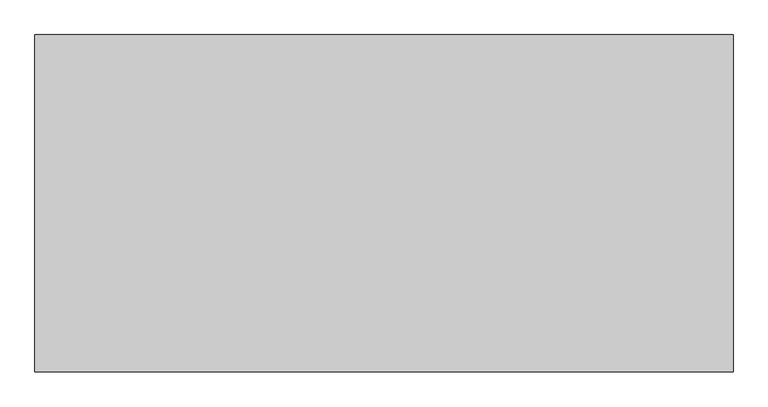
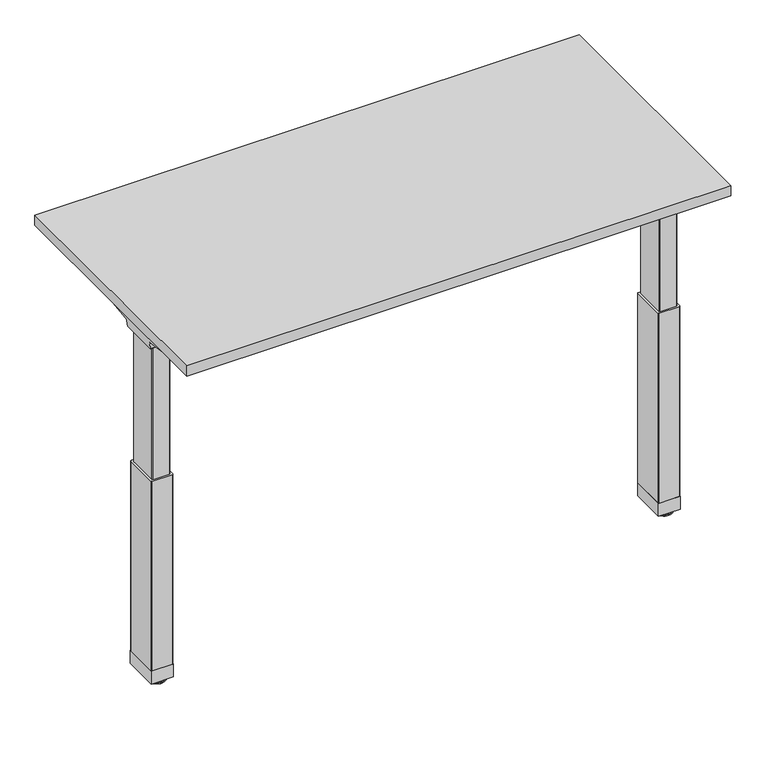
"""IFC4 building model written with IfcOpenShell, lengths in millimetres: furniture geometry."""

from ifc_helpers import new_model, si_unit, point, frame, frame_2d, origin, place, context, project, spatial, polyline, circle_curve, ellipse_curve, trimmed, segment, composite_curve, outline, extrude, source, transform, mapped, element, save
from ifc_brep_helpers import plane_surface, cylinder_surface, revolved_surface, advanced_brep


def furniture_98e8cc4e(model_context):
    return source(origin(), model_context, "Body", "SolidModel", [
        extrude(outline(polyline([(-747.776, 434.1876), (-747.776, 1157.3256), (747.776, 1157.3256), (747.776, 434.1876), (-747.776, 434.1876)])), frame((0.0, 0.0, 1037.209), z_axis=(0.0, 0.0, 1.0), x_axis=(1.0, 0.0, 0.0)), (0.0, 0.0, 1.0), 29.591),
        advanced_brep(
        [(731.4406297, 635.7959426, 988.7915733), (672.2713552, 635.7959426, 988.7915733), (672.2713552, 638.024396, 986.1442785), (728.9518591, 638.024396, 986.1442785), (731.6625278, 635.7869568, 989.0276054), (734.0619089, 635.1429301, 1005.9443054), (672.2713552, 635.1429301, 1005.9443054), (734.9185362, 629.6758947, 1011.9839076), (672.2713552, 629.6758947, 1011.9839076), (737.4393767, 515.1046903, 1029.7569507), (672.2713552, 515.1046903, 1029.7569507), (737.5128152, 511.3286853, 1030.2747243), (672.2713552, 511.3286853, 1030.2747243), (738.1871296, 509.8184289, 1035.0289399), (736.4021288, 512.395324, 1037.209), (672.2713552, 512.395324, 1037.209), (737.5128152, 867.2817403, 1030.2747243), (672.2713552, 867.2817403, 1030.2747243), (672.2713552, 866.2151016, 1037.209), (736.4021288, 866.2151016, 1037.209), (738.1871296, 868.7919968, 1035.0289399), (737.4393767, 863.5057353, 1029.7569507), (672.2713552, 863.5057353, 1029.7569507), (734.9185362, 748.9345309, 1011.9839076), (672.2713552, 748.9345309, 1011.9839076), (734.0619089, 743.4674955, 1005.9443054), (672.2713552, 743.4674955, 1005.9443054), (731.6625278, 742.8234688, 989.0276054), (731.4406297, 742.814483, 988.7915733), (672.2713552, 742.814483, 988.7915733), (728.9518591, 740.5860297, 986.1442785), (672.2713552, 740.5860297, 986.1442785)],
        [
            (0, 1),
            (1, 2),
            (2, 3),
            (3, 0),
            (0, 4),
            (4, 5),
            (5, 6),
            (6, 1),
            (5, 7, ellipse_curve(frame((734.0119691, 628.6843719, 1005.5922075), z_axis=(0.9900906714849619, 0.0, -0.14042956326378436), x_axis=(0.14042956326378456, 0.0, 0.9900906714849619)), 6.5328852, 6.4681487)),
            (7, 8),
            (8, 6, circle_curve(frame((672.2713552, 628.6843719, 1005.5922075), z_axis=(-1.0, 0.0, 0.0), x_axis=(0.0, -1.0000000000000004, 0.0)), 6.4681487)),
            (7, 9),
            (9, 10),
            (10, 8),
            (9, 11),
            (11, 12),
            (12, 10),
            (11, 13, ellipse_curve(frame((737.9730772, 513.3058017, 1033.5197755), z_axis=(-0.9900906714849619, 0.0, 0.14042956326378436), x_axis=(-0.14042956326378456, 0.0, -0.9900906714849619)), 3.8379455, 3.7999141)),
            (13, 14, ellipse_curve(frame((739.422811, 513.3058017, 1033.5197755), z_axis=(-0.7737284588432122, 0.0, -0.6335173809581768), x_axis=(-0.6335173809581769, 0.0, 0.7737284588432121)), 4.9111727, 3.7999141)),
            (14, 15),
            (15, 12, circle_curve(frame((672.2713552, 513.3058017, 1033.5197755), z_axis=(1.0, 0.0, 0.0), x_axis=(0.0, -1.0000000000000004, 0.0)), 3.7999141)),
            (16, 17),
            (17, 18, circle_curve(frame((672.2713552, 865.3046239, 1033.5197755), z_axis=(1.0, 0.0, 0.0), x_axis=(0.0, -1.0000000000000004, 0.0)), 3.7999141)),
            (18, 19),
            (19, 20, ellipse_curve(frame((739.422811, 865.3046239, 1033.5197755), z_axis=(-0.7737284588432122, 0.0, -0.6335173809581768), x_axis=(-0.6335173809581769, 0.0, 0.7737284588432121)), 4.9111727, 3.7999141)),
            (20, 16, ellipse_curve(frame((737.9730772, 865.3046239, 1033.5197755), z_axis=(-0.9900906714849619, 0.0, 0.14042956326378436), x_axis=(-0.14042956326378456, 0.0, -0.9900906714849619)), 3.8379455, 3.7999141)),
            (16, 21),
            (21, 22),
            (22, 17),
            (21, 23),
            (23, 24),
            (24, 22),
            (23, 25, ellipse_curve(frame((734.0119691, 749.9260537, 1005.5922075), z_axis=(0.9900906714849619, 0.0, -0.14042956326378436), x_axis=(0.14042956326378456, 0.0, 0.9900906714849619)), 6.5328852, 6.4681487)),
            (25, 26),
            (26, 24, circle_curve(frame((672.2713552, 749.9260537, 1005.5922075), z_axis=(-1.0, 0.0, 0.0), x_axis=(0.0, -1.0000000000000004, 0.0)), 6.4681487)),
            (25, 27),
            (27, 28),
            (28, 29),
            (29, 26),
            (28, 30),
            (30, 31),
            (31, 29),
            (4, 27),
            (20, 13),
            (19, 14),
            (18, 15),
            (2, 31),
            (30, 3),
        ],
        [
            plane_surface(frame((754.4773962, 638.024396, 986.1442785), z_axis=(0.0, -0.7650318638532659, -0.6439924279750484), x_axis=(-1.0, 0.0, 0.0))),
            plane_surface(frame((754.4773962, 635.7959426, 988.7915733), z_axis=(0.0, -0.999276106683639, -0.038042904873162565), x_axis=(-1.0, 0.0, 0.0))),
            revolved_surface(polyline([(734.9293793154884, 622.2162232, 1005.5922075), (672.2713551999999, 622.2162232, 1005.5922075)]), (754.4773962, 628.6843719, 1005.5922075), (1.0000000000000004, 0.0, 0.0)),
            plane_surface(frame((754.4773962, 629.6758947, 1011.9839076), z_axis=(0.0, -0.15329313587139595, -0.9881807600306302), x_axis=(-1.0, 0.0, 0.0))),
            plane_surface(frame((754.4773962, 515.1046903, 1029.7569507), z_axis=(0.0, -0.13585085469026897, -0.9907292996979162), x_axis=(-1.0, 0.0, 0.0))),
            cylinder_surface(frame((754.4773962, 513.3058017, 1033.5197755), z_axis=(-1.0000000000000004, 0.0, 0.0), x_axis=(0.0, -1.0000000000000004, 0.0)), 3.7999141),
            cylinder_surface(frame((754.4773962, 865.3046239, 1033.5197755), z_axis=(-1.0000000000000004, 0.0, 0.0), x_axis=(0.0, -1.0000000000000004, 0.0)), 3.7999141),
            plane_surface(frame((754.4773962, 867.2817403, 1030.2747243), z_axis=(0.0, 0.135850854687912, -0.9907292996982394), x_axis=(-1.0, 0.0, 0.0))),
            plane_surface(frame((754.4773962, 863.5057353, 1029.7569507), z_axis=(0.0, 0.15329313587140656, -0.9881807600306285), x_axis=(-1.0, 0.0, 0.0))),
            revolved_surface(polyline([(734.9293793154884, 743.457905, 1005.5922075), (672.2713551999999, 743.457905, 1005.5922075)]), (754.4773962, 749.9260537, 1005.5922075), (1.0000000000000004, 0.0, 0.0)),
            plane_surface(frame((754.4773962, 743.4674955, 1005.9443054), z_axis=(0.0, 0.9992761066836363, -0.0380429048732354), x_axis=(-1.0, 0.0, 0.0))),
            plane_surface(frame((754.4773962, 742.814483, 988.7915733), z_axis=(0.0, 0.7650318638534731, -0.6439924279748023), x_axis=(-1.0, 0.0, 0.0))),
            plane_surface(frame((731.6625278, 498.8052128, 989.0276054), z_axis=(0.9900906714849619, 0.0, -0.14042956326378436), x_axis=(0.0, 1.0, 0.0))),
            plane_surface(frame((738.1871296, 498.8052128, 1035.0289399), z_axis=(0.7737284588432122, 0.0, 0.6335173809581768), x_axis=(0.0, 1.0, 0.0))),
            plane_surface(frame((736.4021288, 498.8052128, 1037.209), z_axis=(0.0, 0.0, 1.0), x_axis=(0.0, 1.0, 0.0))),
            plane_surface(frame((672.2713552, 498.8052128, 986.1442785), z_axis=(0.0, 0.0, -1.0), x_axis=(0.0, 1.0, 0.0))),
            plane_surface(frame((728.9518591, 498.8052128, 986.1442785), z_axis=(0.7285846064197381, 0.0, -0.6849558170336212), x_axis=(0.0, 1.0, 0.0))),
            plane_surface(frame((672.2713552, 498.8052128, 1037.209), z_axis=(-1.0, 0.0, 0.0), x_axis=(0.0, 1.0, 0.0))),
        ],
        [
            (0, [[1, 2, 3, 4]]),
            (1, [[-1, 5, 6, 7, 8]]),
            (2, [[-7, 9, 10, 11]]),
            (3, [[-10, 12, 13, 14]]),
            (4, [[-13, 15, 16, 17]]),
            (5, [[-16, 18, 19, 20, 21]]),
            (6, [[22, 23, 24, 25, 26]]),
            (7, [[-22, 27, 28, 29]]),
            (8, [[-28, 30, 31, 32]]),
            (9, [[-31, 33, 34, 35]]),
            (10, [[-34, 36, 37, 38, 39]]),
            (11, [[-38, 40, 41, 42]]),
            (12, [[43, -36, -33, -30, -27, -26, 44, -18, -15, -12, -9, -6]]),
            (13, [[-44, -25, 45, -19]]),
            (14, [[-45, -24, 46, -20]]),
            (15, [[47, -41, 48, -3]]),
            (16, [[-43, -5, -4, -48, -40, -37]]),
            (17, [[-47, -2, -8, -11, -14, -17, -21, -46, -23, -29, -32, -35, -39, -42]]),
        ],
    ),
        advanced_brep(
        [(-672.2624028, 635.7959426, 988.7915733), (-731.4406297, 635.7959426, 988.7915733), (-728.9518591, 638.024396, 986.1442785), (-672.2624028, 638.024396, 986.1442785), (-672.2624028, 635.1429301, 1005.9443054), (-734.0619089, 635.1429301, 1005.9443054), (-731.6625278, 635.7869568, 989.0276054), (-672.2624028, 629.6758947, 1011.9839076), (-734.9185362, 629.6758947, 1011.9839076), (-672.2624028, 515.1046903, 1029.7569507), (-737.4393767, 515.1046903, 1029.7569507), (-672.2624028, 511.3286853, 1030.2747243), (-737.5128152, 511.3286853, 1030.2747243), (-672.2624028, 512.395324, 1037.209), (-736.4021288, 512.395324, 1037.209), (-738.1871296, 509.8184289, 1035.0289399), (-672.2624028, 867.2817403, 1030.2747243), (-737.5128152, 867.2817403, 1030.2747243), (-738.1871296, 868.7919968, 1035.0289399), (-736.4021288, 866.2151016, 1037.209), (-672.2624028, 866.2151016, 1037.209), (-672.2624028, 863.5057353, 1029.7569507), (-737.4393767, 863.5057353, 1029.7569507), (-672.2624028, 748.9345309, 1011.9839076), (-734.9185362, 748.9345309, 1011.9839076), (-672.2624028, 743.4674955, 1005.9443054), (-734.0619089, 743.4674955, 1005.9443054), (-672.2624028, 742.814483, 988.7915733), (-731.4406297, 742.814483, 988.7915733), (-731.6625278, 742.8234688, 989.0276054), (-672.2624028, 740.5860297, 986.1442785), (-728.9518591, 740.5860297, 986.1442785)],
        [
            (0, 1),
            (1, 2),
            (2, 3),
            (3, 0),
            (0, 4),
            (4, 5),
            (5, 6),
            (6, 1),
            (4, 7, circle_curve(frame((-672.2624028, 628.6843719, 1005.5922075), z_axis=(1.0, 0.0, 0.0), x_axis=(0.0, -1.0000000000000004, 0.0)), 6.4681487)),
            (7, 8),
            (8, 5, ellipse_curve(frame((-734.0119691, 628.6843719, 1005.5922075), z_axis=(-0.9900906714849659, 0.0, -0.14042956326375675), x_axis=(0.14042956326375614, 0.0, -0.990090671484966)), 6.5328852, 6.4681487)),
            (7, 9),
            (9, 10),
            (10, 8),
            (9, 11),
            (11, 12),
            (12, 10),
            (11, 13, circle_curve(frame((-672.2624028, 513.3058017, 1033.5197755), z_axis=(-1.0, 0.0, 0.0), x_axis=(0.0, -1.0000000000000004, 0.0)), 3.7999141)),
            (13, 14),
            (14, 15, ellipse_curve(frame((-739.422811, 513.3058017, 1033.5197755), z_axis=(0.7737284588399557, 0.0, -0.6335173809621544), x_axis=(-0.6335173809621537, 0.0, -0.7737284588399559)), 4.9111727, 3.7999141)),
            (15, 12, ellipse_curve(frame((-737.9730772, 513.3058017, 1033.5197755), z_axis=(0.9900906714849659, 0.0, 0.14042956326375675), x_axis=(-0.14042956326375614, 0.0, 0.990090671484966)), 3.8379455, 3.7999141)),
            (16, 17),
            (17, 18, ellipse_curve(frame((-737.9730772, 865.3046239, 1033.5197755), z_axis=(0.9900906714849659, 0.0, 0.14042956326375675), x_axis=(-0.14042956326375614, 0.0, 0.990090671484966)), 3.8379455, 3.7999141)),
            (18, 19, ellipse_curve(frame((-739.422811, 865.3046239, 1033.5197755), z_axis=(0.7737284588399557, 0.0, -0.6335173809621544), x_axis=(-0.6335173809621537, 0.0, -0.7737284588399559)), 4.9111727, 3.7999141)),
            (19, 20),
            (20, 16, circle_curve(frame((-672.2624028, 865.3046239, 1033.5197755), z_axis=(-1.0, 0.0, 0.0), x_axis=(0.0, -1.0000000000000004, 0.0)), 3.7999141)),
            (16, 21),
            (21, 22),
            (22, 17),
            (21, 23),
            (23, 24),
            (24, 22),
            (23, 25, circle_curve(frame((-672.2624028, 749.9260537, 1005.5922075), z_axis=(1.0, 0.0, 0.0), x_axis=(0.0, -1.0000000000000004, 0.0)), 6.4681487)),
            (25, 26),
            (26, 24, ellipse_curve(frame((-734.0119691, 749.9260537, 1005.5922075), z_axis=(-0.9900906714849659, 0.0, -0.14042956326375675), x_axis=(0.14042956326375614, 0.0, -0.990090671484966)), 6.5328852, 6.4681487)),
            (25, 27),
            (27, 28),
            (28, 29),
            (29, 26),
            (27, 30),
            (30, 31),
            (31, 28),
            (29, 6),
            (15, 18),
            (14, 19),
            (13, 20),
            (30, 3),
            (2, 31),
        ],
        [
            plane_surface(frame((-551.4619573, 638.024396, 986.1442785), z_axis=(0.0, -0.7650318638532563, -0.6439924279750598), x_axis=(-1.0, 0.0, 0.0))),
            plane_surface(frame((-551.4619573, 635.7959426, 988.7915733), z_axis=(0.0, -0.9992761066836392, -0.03804290487315863), x_axis=(-1.0, 0.0, 0.0))),
            revolved_surface(polyline([(-672.2624028000001, 622.2162232, 1005.5922075), (-734.9293793154884, 622.2162232, 1005.5922075)]), (-551.4619573, 628.6843719, 1005.5922075), (1.0000000000000004, 0.0, 0.0)),
            plane_surface(frame((-551.4619573, 629.6758947, 1011.9839076), z_axis=(0.0, -0.15329313587140303, -0.988180760030629), x_axis=(-1.0, 0.0, 0.0))),
            plane_surface(frame((-551.4619573, 515.1046903, 1029.7569507), z_axis=(0.0, -0.13585085469008154, -0.9907292996979419), x_axis=(-1.0, 0.0, 0.0))),
            cylinder_surface(frame((-551.4619573, 513.3058017, 1033.5197755), z_axis=(-1.0000000000000004, 0.0, 0.0), x_axis=(0.0, -1.0000000000000004, 0.0)), 3.7999141),
            cylinder_surface(frame((-551.4619573, 865.3046239, 1033.5197755), z_axis=(-1.0000000000000004, 0.0, 0.0), x_axis=(0.0, -1.0000000000000004, 0.0)), 3.7999141),
            plane_surface(frame((-551.4619573, 867.2817403, 1030.2747243), z_axis=(0.0, 0.13585085468777755, -0.9907292996982578), x_axis=(-1.0, 0.0, 0.0))),
            plane_surface(frame((-551.4619573, 863.5057353, 1029.7569507), z_axis=(0.0, 0.15329313587141108, -0.9881807600306277), x_axis=(-1.0, 0.0, 0.0))),
            revolved_surface(polyline([(-672.2624028000001, 743.457905, 1005.5922075), (-734.9293793154884, 743.457905, 1005.5922075)]), (-551.4619573, 749.9260537, 1005.5922075), (1.0000000000000004, 0.0, 0.0)),
            plane_surface(frame((-551.4619573, 743.4674955, 1005.9443054), z_axis=(0.0, 0.9992761066836363, -0.0380429048732354), x_axis=(-1.0, 0.0, 0.0))),
            plane_surface(frame((-551.4619573, 742.814483, 988.7915733), z_axis=(0.0, 0.7650318638534731, -0.6439924279748023), x_axis=(-1.0, 0.0, 0.0))),
            plane_surface(frame((-731.6625278, 879.8052128, 989.0276054), z_axis=(-0.9900906714849659, 0.0, -0.14042956326375675), x_axis=(0.0, -1.0, 0.0))),
            plane_surface(frame((-738.1871296, 879.8052128, 1035.0289399), z_axis=(-0.7737284588399554, 0.0, 0.6335173809621543), x_axis=(0.0, -1.0, 0.0))),
            plane_surface(frame((-736.4021288, 879.8052128, 1037.209), z_axis=(0.0, 0.0, 1.0), x_axis=(0.0, -1.0, 0.0))),
            plane_surface(frame((-672.2624028, 879.8052128, 986.1442785), z_axis=(0.0, 0.0, -1.0), x_axis=(0.0, -1.0, 0.0))),
            plane_surface(frame((-728.9518591, 879.8052128, 986.1442785), z_axis=(-0.7285846064222695, 0.0, -0.6849558170309287), x_axis=(0.0, -1.0, 0.0))),
            plane_surface(frame((-672.2624028, 879.8052128, 1037.209), z_axis=(1.0, 0.0, 0.0), x_axis=(0.0, -1.0, 0.0))),
        ],
        [
            (0, [[1, 2, 3, 4]]),
            (1, [[-1, 5, 6, 7, 8]]),
            (2, [[-6, 9, 10, 11]]),
            (3, [[-10, 12, 13, 14]]),
            (4, [[-13, 15, 16, 17]]),
            (5, [[-16, 18, 19, 20, 21]]),
            (6, [[22, 23, 24, 25, 26]]),
            (7, [[-22, 27, 28, 29]]),
            (8, [[-28, 30, 31, 32]]),
            (9, [[-31, 33, 34, 35]]),
            (10, [[-34, 36, 37, 38, 39]]),
            (11, [[-37, 40, 41, 42]]),
            (12, [[43, -7, -11, -14, -17, -21, 44, -23, -29, -32, -35, -39]]),
            (13, [[-44, -20, 45, -24]]),
            (14, [[-45, -19, 46, -25]]),
            (15, [[47, -3, 48, -41]]),
            (16, [[-43, -38, -42, -48, -2, -8]]),
            (17, [[-47, -40, -36, -33, -30, -27, -26, -46, -18, -15, -12, -9, -5, -4]]),
        ],
    ),
        advanced_brep(
        [(-675.0283088, 644.5569631, 986.1442785), (-672.2624028, 646.9102017, 986.1442785), (-672.2624028, 731.683827, 986.1442785), (-675.3159671, 734.0332258, 986.1442785), (-718.6299922, 734.0534625, 986.1442785), (-721.6895972, 731.6837192, 986.1442785), (-721.6895972, 646.9101172, 986.1442785), (-718.9236912, 644.5569631, 986.1442785), (-675.0283088, 644.5569631, 599.0990058), (-718.9236912, 644.5569631, 599.0990058), (-721.6895972, 646.9101172, 599.0990058), (-721.6895972, 731.6837192, 599.0990058), (-718.6360098, 734.0332205, 599.0990058), (-675.3220078, 734.0534625, 599.0990058), (-672.2624028, 731.683827, 599.0990058), (-672.2624028, 646.9102017, 599.0990058)],
        [
            (0, 1, circle_curve(frame((-675.3300788, 647.7137409, 986.1442785), z_axis=(0.0, 0.0, 1.0), x_axis=(-1.0000000000000004, 0.0, 0.0)), 3.1711688)),
            (1, 2),
            (2, 3, circle_curve(frame((-675.3159671, 730.8741348, 986.1442785), z_axis=(0.0, 0.0, 1.0), x_axis=(-1.0000000000000004, 0.0, 0.0)), 3.1590911)),
            (3, 4),
            (4, 5, circle_curve(frame((-718.6360098, 730.8741348, 986.1442785), z_axis=(0.0, 0.0, 1.0), x_axis=(-1.0000000000000004, 0.0, 0.0)), 3.1590858)),
            (5, 6),
            (6, 7, circle_curve(frame((-718.6219439, 647.7137431, 986.1442785), z_axis=(0.0, 0.0, 1.0), x_axis=(-1.0000000000000004, 0.0, 0.0)), 3.1711687)),
            (7, 0),
            (8, 9),
            (9, 10, circle_curve(frame((-718.6219439, 647.7137431, 599.0990058), z_axis=(0.0, 0.0, -1.0), x_axis=(-1.0000000000000004, 0.0, 0.0)), 3.1711687)),
            (10, 11),
            (11, 12, circle_curve(frame((-718.6360098, 730.8741348, 599.0990058), z_axis=(0.0, 0.0, -1.0), x_axis=(-1.0000000000000004, 0.0, 0.0)), 3.1590858)),
            (12, 13),
            (13, 14, circle_curve(frame((-675.3159671, 730.8741348, 599.0990058), z_axis=(0.0, 0.0, -1.0), x_axis=(-1.0000000000000004, 0.0, 0.0)), 3.1590911)),
            (14, 15),
            (15, 8, circle_curve(frame((-675.3300788, 647.7137409, 599.0990058), z_axis=(0.0, 0.0, -1.0), x_axis=(-1.0000000000000004, 0.0, 0.0)), 3.1711688)),
            (7, 9),
            (8, 0),
            (6, 10),
            (5, 11),
            (4, 12),
            (3, 13),
            (2, 14),
            (1, 15),
        ],
        [
            plane_surface(frame((-678.5012476, 647.7137409, 986.1442785), z_axis=(0.0, 0.0, 1.0), x_axis=(0.0, -1.0, 0.0))),
            plane_surface(frame((-678.5012476, 647.7137409, 599.0990058), z_axis=(0.0, 0.0, -1.0), x_axis=(0.0, 1.0, 0.0))),
            plane_surface(frame((-718.9236912, 644.5569631, 986.1442785), z_axis=(0.0, -1.0, 0.0), x_axis=(0.0, 0.0, -1.0))),
            cylinder_surface(frame((-718.6219439, 647.7137431, 599.0990058), z_axis=(0.0, 0.0, 1.0), x_axis=(-1.0000000000000004, 0.0, 0.0)), 3.1711687),
            plane_surface(frame((-721.6895972, 731.6837192, 986.1442785), z_axis=(-1.0, 0.0, 0.0), x_axis=(0.0, 0.0, -1.0))),
            cylinder_surface(frame((-718.6360098, 730.8741348, 599.0990058), z_axis=(0.0, 0.0, 1.0), x_axis=(-1.0000000000000004, 0.0, 0.0)), 3.1590858),
            plane_surface(frame((-675.3220078, 734.0534625, 986.1442785), z_axis=(0.0, 1.0, 0.0), x_axis=(0.0, 0.0, -1.0))),
            cylinder_surface(frame((-675.3159671, 730.8741348, 599.0990058), z_axis=(0.0, 0.0, 1.0), x_axis=(-1.0000000000000004, 0.0, 0.0)), 3.1590911),
            plane_surface(frame((-672.2624028, 646.9102017, 986.1442785), z_axis=(1.0, 0.0, 0.0), x_axis=(0.0, 0.0, -1.0))),
            cylinder_surface(frame((-675.3300788, 647.7137409, 599.0990058), z_axis=(0.0, 0.0, 1.0), x_axis=(-1.0000000000000004, 0.0, 0.0)), 3.1711688),
        ],
        [
            (0, [[1, 2, 3, 4, 5, 6, 7, 8]]),
            (1, [[9, 10, 11, 12, 13, 14, 15, 16]]),
            (2, [[-8, 17, -9, 18]]),
            (3, [[-7, 19, -10, -17]]),
            (4, [[-6, 20, -11, -19]]),
            (5, [[-5, 21, -12, -20]]),
            (6, [[-4, 22, -13, -21]]),
            (7, [[-3, 23, -14, -22]]),
            (8, [[-2, 24, -15, -23]]),
            (9, [[-1, -18, -16, -24]]),
        ],
    ),
        advanced_brep(
        [(675.0283088, 644.5569631, 986.1442785), (718.9236912, 644.5569631, 986.1442785), (721.6806448, 646.8766887, 986.1442785), (721.6806448, 731.716762, 986.1442785), (718.6360098, 734.0332205, 986.1442785), (675.3220078, 734.0534625, 986.1442785), (672.2713552, 731.7168653, 986.1442785), (672.2713552, 646.8767695, 986.1442785), (675.0283088, 644.5569631, 599.0990058), (672.2713552, 646.8767695, 599.0990058), (672.2713552, 731.7168653, 599.0990058), (675.3159671, 734.0332258, 599.0990058), (718.6299922, 734.0534625, 599.0990058), (721.6806448, 731.716762, 599.0990058), (721.6806448, 646.8766887, 599.0990058), (718.9236912, 644.5569631, 599.0990058)],
        [
            (0, 1),
            (1, 2, circle_curve(frame((718.6219439, 647.7137431, 986.1442785), z_axis=(0.0, 0.0, 1.0), x_axis=(1.0000000000000004, 0.0, 0.0)), 3.1711687)),
            (2, 3),
            (3, 4, circle_curve(frame((718.6360098, 730.8741348, 986.1442785), z_axis=(0.0, 0.0, 1.0), x_axis=(1.0000000000000004, 0.0, 0.0)), 3.1590858)),
            (4, 5),
            (5, 6, circle_curve(frame((675.3159671, 730.8741348, 986.1442785), z_axis=(0.0, 0.0, 1.0), x_axis=(1.0000000000000004, 0.0, 0.0)), 3.1590911)),
            (6, 7),
            (7, 0, circle_curve(frame((675.3300788, 647.7137409, 986.1442785), z_axis=(0.0, 0.0, 1.0), x_axis=(1.0000000000000004, 0.0, 0.0)), 3.1711688)),
            (8, 9, circle_curve(frame((675.3300788, 647.7137409, 599.0990058), z_axis=(0.0, 0.0, -1.0), x_axis=(1.0000000000000004, 0.0, 0.0)), 3.1711688)),
            (9, 10),
            (10, 11, circle_curve(frame((675.3159671, 730.8741348, 599.0990058), z_axis=(0.0, 0.0, -1.0), x_axis=(1.0000000000000004, 0.0, 0.0)), 3.1590911)),
            (11, 12),
            (12, 13, circle_curve(frame((718.6360098, 730.8741348, 599.0990058), z_axis=(0.0, 0.0, -1.0), x_axis=(1.0000000000000004, 0.0, 0.0)), 3.1590858)),
            (13, 14),
            (14, 15, circle_curve(frame((718.6219439, 647.7137431, 599.0990058), z_axis=(0.0, 0.0, -1.0), x_axis=(1.0000000000000004, 0.0, 0.0)), 3.1711687)),
            (15, 8),
            (0, 8),
            (15, 1),
            (14, 2),
            (13, 3),
            (12, 4),
            (11, 5),
            (10, 6),
            (9, 7),
        ],
        [
            plane_surface(frame((718.9236912, 644.5569631, 986.1442785), z_axis=(0.0, 0.0, 1.0), x_axis=(1.0, 0.0, 0.0))),
            plane_surface(frame((718.9236912, 644.5569631, 599.0990058), z_axis=(0.0, 0.0, -1.0), x_axis=(-1.0, 0.0, 0.0))),
            plane_surface(frame((675.0283088, 644.5569631, 986.1442785), z_axis=(0.0, -1.0, 0.0), x_axis=(0.0, 0.0, -1.0))),
            cylinder_surface(frame((718.6219439, 647.7137431, 599.0990058), z_axis=(0.0, 0.0, 1.0), x_axis=(1.0000000000000004, 0.0, 0.0)), 3.1711687),
            plane_surface(frame((721.6806448, 646.8766887, 986.1442785), z_axis=(1.0, 0.0, 0.0), x_axis=(0.0, 0.0, -1.0))),
            cylinder_surface(frame((718.6360098, 730.8741348, 599.0990058), z_axis=(0.0, 0.0, 1.0), x_axis=(1.0000000000000004, 0.0, 0.0)), 3.1590858),
            plane_surface(frame((718.6299922, 734.0534625, 986.1442785), z_axis=(0.0, 1.0, 0.0), x_axis=(0.0, 0.0, -1.0))),
            cylinder_surface(frame((675.3159671, 730.8741348, 599.0990058), z_axis=(0.0, 0.0, 1.0), x_axis=(1.0000000000000004, 0.0, 0.0)), 3.1590911),
            plane_surface(frame((672.2713552, 731.7168653, 986.1442785), z_axis=(-1.0, -1.2492932929225731e-12, 0.0), x_axis=(0.0, 0.0, -1.0))),
            cylinder_surface(frame((675.3300788, 647.7137409, 599.0990058), z_axis=(0.0, 0.0, 1.0), x_axis=(1.0000000000000004, 0.0, 0.0)), 3.1711688),
        ],
        [
            (0, [[1, 2, 3, 4, 5, 6, 7, 8]]),
            (1, [[9, 10, 11, 12, 13, 14, 15, 16]]),
            (2, [[-1, 17, -16, 18]]),
            (3, [[-2, -18, -15, 19]]),
            (4, [[-3, -19, -14, 20]]),
            (5, [[-4, -20, -13, 21]]),
            (6, [[-5, -21, -12, 22]]),
            (7, [[-6, -22, -11, 23]]),
            (8, [[-7, -23, -10, 24]]),
            (9, [[-8, -24, -9, -17]]),
        ],
    ),
        extrude(outline(composite_curve([segment(trimmed(circle_curve(frame_2d((669.316092, 641.5793048)), 2.248592), [point((669.316092, 639.3307128))], [point((667.0675, 641.5793048))], False, "CARTESIAN"), True, "CONTINUOUS"), segment(polyline([(667.0675, 641.5793048), (667.0675, 737.0310659)]), True, "CONTINUOUS"), segment(trimmed(circle_curve(frame_2d((669.3161469, 737.0310659)), 2.2486469), [point((667.0675, 737.0310659))], [point((669.3161469, 739.2797128))], False, "CARTESIAN"), True, "CONTINUOUS"), segment(polyline([(669.3161469, 739.2797128), (724.635908, 739.2797128)]), True, "CONTINUOUS"), segment(trimmed(circle_curve(frame_2d((724.635908, 737.0311208)), 2.248592), [point((724.635908, 739.2797128))], [point((726.8845, 737.0311208))], False, "CARTESIAN"), True, "CONTINUOUS"), segment(polyline([(726.8845, 737.0311208), (726.8845, 641.5793048)]), True, "CONTINUOUS"), segment(trimmed(circle_curve(frame_2d((724.635908, 641.5793048)), 2.248592), [point((726.8845, 641.5793048))], [point((724.635908, 639.3307128))], False, "CARTESIAN"), True, "CONTINUOUS"), segment(polyline([(724.635908, 639.3307128), (669.316092, 639.3307128)]), True, "CONTINUOUS")], self_intersect=False)), frame((0.0, 0.0, 48.1000573), z_axis=(0.0, 0.0, 1.0), x_axis=(1.0, 0.0, 0.0)), (0.0, 0.0, 1.0), 550.9989485),
        extrude(outline(composite_curve([segment(trimmed(circle_curve(frame_2d((-724.5521079, 641.6631049)), 2.3323921), [point((-724.5521079, 639.3307128))], [point((-726.8845, 641.6631049))], False, "CARTESIAN"), True, "CONTINUOUS"), segment(polyline([(-726.8845, 641.6631049), (-726.8845, 736.9473207)]), True, "CONTINUOUS"), segment(trimmed(circle_curve(frame_2d((-724.5521079, 736.9473207)), 2.3323921), [point((-726.8845, 736.9473207))], [point((-724.5521079, 739.2797128))], False, "CARTESIAN"), True, "CONTINUOUS"), segment(polyline([(-724.5521079, 739.2797128), (-669.3998921, 739.2797128)]), True, "CONTINUOUS"), segment(trimmed(circle_curve(frame_2d((-669.3998921, 736.9473207)), 2.3323921), [point((-669.3998921, 739.2797128))], [point((-667.0675, 736.9473207))], False, "CARTESIAN"), True, "CONTINUOUS"), segment(polyline([(-667.0675, 736.9473207), (-667.0675, 641.6631049)]), True, "CONTINUOUS"), segment(trimmed(circle_curve(frame_2d((-669.3998921, 641.6631049)), 2.3323921), [point((-667.0675, 641.6631049))], [point((-669.3998921, 639.3307128))], False, "CARTESIAN"), True, "CONTINUOUS"), segment(polyline([(-669.3998921, 639.3307128), (-724.5521079, 639.3307128)]), True, "CONTINUOUS")], self_intersect=False)), frame((0.0, 0.0, 48.1000573), z_axis=(0.0, 0.0, 1.0), x_axis=(1.0, 0.0, 0.0)), (0.0, 0.0, 1.0), 550.9989485),
        advanced_brep(
        [(-696.976, 671.3030475, 10.2361894), (-696.976, 657.2832975, 10.2361894), (-696.976, 657.6704727, 8.7946116), (-696.976, 670.9158723, 8.7946116), (-696.976, 664.2931725, 10.2361894), (-696.976, 685.2500609, 0.0), (-696.976, 643.3362842, 0.0), (-696.976, 664.2931725, 0.0), (-696.976, 686.7937912, 1.5436985), (-696.976, 641.7925538, 1.5436985), (-696.976, 686.7937365, 4.1072626), (-696.976, 641.7926085, 4.1072626), (-696.976, 685.2538961, 5.9174378), (-696.976, 643.3324489, 5.9174378)],
        [
            (0, 1, circle_curve(frame((-696.976, 664.2931725, 10.2361894), z_axis=(0.0, 0.0, -1.0), x_axis=(0.0, -1.0000000000000004, 0.0)), 7.009875)),
            (1, 2),
            (2, 3, circle_curve(frame((-696.976, 664.2931725, 8.7946116), z_axis=(0.0, 0.0, 1.0), x_axis=(0.0, -1.0000000000000004, 0.0)), 6.6226998)),
            (3, 0),
            (1, 0, circle_curve(frame((-696.976, 664.2931725, 10.2361894), z_axis=(0.0, 0.0, -1.0), x_axis=(0.0, -1.0000000000000004, 0.0)), 7.009875)),
            (3, 2, circle_curve(frame((-696.976, 664.2931725, 8.7946116), z_axis=(0.0, 0.0, 1.0), x_axis=(0.0, -1.0000000000000004, 0.0)), 6.6226998)),
            (4, 1),
            (0, 4),
            (5, 6, circle_curve(frame((-696.976, 664.2931725, 0.0), z_axis=(0.0, 0.0, -1.0), x_axis=(0.0, -1.0000000000000004, 0.0)), 20.9568884)),
            (6, 7),
            (7, 5),
            (6, 5, circle_curve(frame((-696.976, 664.2931725, 0.0), z_axis=(0.0, 0.0, -1.0), x_axis=(0.0, -1.0000000000000004, 0.0)), 20.9568884)),
            (8, 9, circle_curve(frame((-696.976, 664.2931725, 1.5436985), z_axis=(0.0, 0.0, -1.0), x_axis=(0.0, -1.0000000000000004, 0.0)), 22.5006187)),
            (9, 6),
            (5, 8),
            (9, 8, circle_curve(frame((-696.976, 664.2931725, 1.5436985), z_axis=(0.0, 0.0, -1.0), x_axis=(0.0, -1.0000000000000004, 0.0)), 22.5006187)),
            (10, 11, circle_curve(frame((-696.976, 664.2931725, 4.1072626), z_axis=(0.0, 0.0, -1.0), x_axis=(0.0, -1.0000000000000004, 0.0)), 22.500564)),
            (11, 9),
            (8, 10),
            (11, 10, circle_curve(frame((-696.976, 664.2931725, 4.1072626), z_axis=(0.0, 0.0, -1.0), x_axis=(0.0, -1.0000000000000004, 0.0)), 22.500564)),
            (12, 13, circle_curve(frame((-696.976, 664.2931725, 5.9174378), z_axis=(0.0, 0.0, -1.0), x_axis=(0.0, -1.0000000000000004, 0.0)), 20.9607236)),
            (13, 11),
            (10, 12),
            (13, 12, circle_curve(frame((-696.976, 664.2931725, 5.9174378), z_axis=(0.0, 0.0, -1.0), x_axis=(0.0, -1.0000000000000004, 0.0)), 20.9607236)),
            (2, 13),
            (12, 3),
        ],
        [
            revolved_surface(polyline([(-696.976, 657.6704727, 8.7946116), (-696.976, 657.2832975, 10.2361894)]), (-696.976, 664.2931725, 0.0), (0.0, 0.0, 1.0)),
            plane_surface(frame((-696.976, 664.2931725, 10.2361894), z_axis=(0.0, 0.0, 1.0), x_axis=(0.0, -1.0, 0.0))),
            plane_surface(frame((-696.976, 664.2931725, 0.0), z_axis=(0.0, 0.0, -1.0), x_axis=(0.0, -1.0, 0.0))),
            revolved_surface(polyline([(-696.976, 643.3362842, 0.0), (-696.976, 641.7925538, 1.5436985)]), (-696.976, 664.2931725, 0.0), (0.0, 0.0, 1.0)),
            cylinder_surface(frame((-696.976, 664.2931725, 0.0), z_axis=(0.0, 0.0, 1.0), x_axis=(0.0, -1.0000000000000004, 0.0)), 22.500564),
            revolved_surface(polyline([(-696.976, 641.792463, 4.1072626), (-696.976, 643.3324489, 5.9174378)]), (-696.976, 664.2931725, 0.0), (0.0, 0.0, 1.0)),
            revolved_surface(polyline([(-696.976, 643.3324489, 5.9174378), (-696.976, 657.6704727, 8.7946116)]), (-696.976, 664.2931725, 0.0), (0.0, 0.0, 1.0)),
        ],
        [
            (0, [[1, 2, 3, 4]]),
            (0, [[5, -4, 6, -2]]),
            (1, [[7, -1, 8]]),
            (1, [[-8, -5, -7]]),
            (2, [[9, 10, 11]]),
            (2, [[12, -11, -10]]),
            (3, [[13, 14, -9, 15]]),
            (3, [[16, -15, -12, -14]]),
            (4, [[17, 18, -13, 19]]),
            (4, [[20, -19, -16, -18]]),
            (5, [[21, 22, -17, 23]]),
            (5, [[24, -23, -20, -22]]),
            (6, [[-3, 25, -21, 26]]),
            (6, [[-6, -26, -24, -25]]),
        ],
    ),
        extrude(outline(polyline([(-667.0675, 738.9199959), (-667.0675, 639.5370001), (-726.8845, 639.5370001), (-726.8845, 738.9199959), (-667.0675, 738.9199959)])), frame((0.0, 0.0, 10.2361894), z_axis=(0.0, 0.0, 1.0), x_axis=(1.0, 0.0, 0.0)), (0.0, 0.0, 1.0), 37.8638679),
        advanced_brep(
        [(696.976, 671.3030475, 10.2361894), (696.976, 657.2832975, 10.2361894), (696.976, 657.6704727, 8.7946116), (696.976, 670.9158723, 8.7946116), (696.976, 664.2931725, 10.2361894), (696.976, 685.2500609, 0.0), (696.976, 643.3362842, 0.0), (696.976, 664.2931725, 0.0), (696.976, 686.7937912, 1.5436985), (696.976, 641.7925538, 1.5436985), (696.976, 686.7937365, 4.1072626), (696.976, 641.7926085, 4.1072626), (696.976, 685.2538961, 5.9174378), (696.976, 643.3324489, 5.9174378)],
        [
            (0, 1, circle_curve(frame((696.976, 664.2931725, 10.2361894), z_axis=(0.0, 0.0, -1.0), x_axis=(0.0, -1.0000000000000004, 0.0)), 7.009875)),
            (1, 2),
            (2, 3, circle_curve(frame((696.976, 664.2931725, 8.7946116), z_axis=(0.0, 0.0, 1.0), x_axis=(0.0, -1.0000000000000004, 0.0)), 6.6226998)),
            (3, 0),
            (1, 0, circle_curve(frame((696.976, 664.2931725, 10.2361894), z_axis=(0.0, 0.0, -1.0), x_axis=(0.0, -1.0000000000000004, 0.0)), 7.009875)),
            (3, 2, circle_curve(frame((696.976, 664.2931725, 8.7946116), z_axis=(0.0, 0.0, 1.0), x_axis=(0.0, -1.0000000000000004, 0.0)), 6.6226998)),
            (4, 1),
            (0, 4),
            (5, 6, circle_curve(frame((696.976, 664.2931725, 0.0), z_axis=(0.0, 0.0, -1.0), x_axis=(0.0, -1.0000000000000004, 0.0)), 20.9568884)),
            (6, 7),
            (7, 5),
            (6, 5, circle_curve(frame((696.976, 664.2931725, 0.0), z_axis=(0.0, 0.0, -1.0), x_axis=(0.0, -1.0000000000000004, 0.0)), 20.9568884)),
            (8, 9, circle_curve(frame((696.976, 664.2931725, 1.5436985), z_axis=(0.0, 0.0, -1.0), x_axis=(0.0, -1.0000000000000004, 0.0)), 22.5006187)),
            (9, 6),
            (5, 8),
            (9, 8, circle_curve(frame((696.976, 664.2931725, 1.5436985), z_axis=(0.0, 0.0, -1.0), x_axis=(0.0, -1.0000000000000004, 0.0)), 22.5006187)),
            (10, 11, circle_curve(frame((696.976, 664.2931725, 4.1072626), z_axis=(0.0, 0.0, -1.0), x_axis=(0.0, -1.0000000000000004, 0.0)), 22.500564)),
            (11, 9),
            (8, 10),
            (11, 10, circle_curve(frame((696.976, 664.2931725, 4.1072626), z_axis=(0.0, 0.0, -1.0), x_axis=(0.0, -1.0000000000000004, 0.0)), 22.500564)),
            (12, 13, circle_curve(frame((696.976, 664.2931725, 5.9174378), z_axis=(0.0, 0.0, -1.0), x_axis=(0.0, -1.0000000000000004, 0.0)), 20.9607236)),
            (13, 11),
            (10, 12),
            (13, 12, circle_curve(frame((696.976, 664.2931725, 5.9174378), z_axis=(0.0, 0.0, -1.0), x_axis=(0.0, -1.0000000000000004, 0.0)), 20.9607236)),
            (2, 13),
            (12, 3),
        ],
        [
            revolved_surface(polyline([(696.976, 657.6704727, 8.7946116), (696.976, 657.2832975, 10.2361894)]), (696.976, 664.2931725, 0.0), (0.0, 0.0, 1.0)),
            plane_surface(frame((696.976, 664.2931725, 10.2361894), z_axis=(0.0, 0.0, 1.0), x_axis=(0.0, -1.0, 0.0))),
            plane_surface(frame((696.976, 664.2931725, 0.0), z_axis=(0.0, 0.0, -1.0), x_axis=(0.0, -1.0, 0.0))),
            revolved_surface(polyline([(696.976, 643.3362842, 0.0), (696.976, 641.7925538, 1.5436985)]), (696.976, 664.2931725, 0.0), (0.0, 0.0, 1.0)),
            cylinder_surface(frame((696.976, 664.2931725, 0.0), z_axis=(0.0, 0.0, 1.0), x_axis=(0.0, -1.0000000000000004, 0.0)), 22.500564),
            revolved_surface(polyline([(696.976, 641.792463, 4.1072626), (696.976, 643.3324489, 5.9174378)]), (696.976, 664.2931725, 0.0), (0.0, 0.0, 1.0)),
            revolved_surface(polyline([(696.976, 643.3324489, 5.9174378), (696.976, 657.6704727, 8.7946116)]), (696.976, 664.2931725, 0.0), (0.0, 0.0, 1.0)),
        ],
        [
            (0, [[1, 2, 3, 4]]),
            (0, [[5, -4, 6, -2]]),
            (1, [[7, -1, 8]]),
            (1, [[-8, -5, -7]]),
            (2, [[9, 10, 11]]),
            (2, [[12, -11, -10]]),
            (3, [[13, 14, -9, 15]]),
            (3, [[16, -15, -12, -14]]),
            (4, [[17, 18, -13, 19]]),
            (4, [[20, -19, -16, -18]]),
            (5, [[21, 22, -17, 23]]),
            (5, [[24, -23, -20, -22]]),
            (6, [[-3, 25, -21, 26]]),
            (6, [[-6, -26, -24, -25]]),
        ],
    ),
        extrude(outline(polyline([(667.0675, 639.5370001), (667.0675, 738.9199959), (726.8845, 738.9199959), (726.8845, 639.5370001), (667.0675, 639.5370001)])), frame((0.0, 0.0, 10.2361894), z_axis=(0.0, 0.0, 1.0), x_axis=(1.0, 0.0, 0.0)), (0.0, 0.0, 1.0), 37.8638679),
        advanced_brep(
        [(-677.6331697, 1035.3628978, 1037.209), (-677.6331697, 1035.3628978, 1029.9601819), (-676.51166, 1035.3628978, 1029.8867914), (-676.51166, 1035.3628978, 1037.209), (-673.3278093, 1090.8360352, 1033.5228106), (-673.4778673, 1090.8360352, 1031.2297138), (-673.8572398, 1090.8360352, 1029.7130886), (-677.6331697, 1090.8360352, 1029.9601819), (-677.6331697, 1090.8360352, 1037.209), (-672.9573081, 1090.8360352, 1037.209), (-672.9573081, 1090.8360352, 1033.8693631), (-659.2556977, 1066.9139656, 1037.209), (-659.2556977, 1072.0993849, 1037.209), (-661.1637879, 1075.6879807, 1037.209), (-672.9573081, 1088.8863381, 1037.209), (-659.5338057, 1066.4054686, 1036.2591307), (-659.5338057, 1073.0132102, 1036.2591307), (-660.124758, 1065.3249623, 1035.4654291), (-660.124758, 1074.2706593, 1035.4654291), (-661.0021754, 1063.7206789, 1034.9271625), (-661.0021754, 1075.5057944, 1034.9271625), (-663.834924, 1058.5412376, 1034.7095886), (-663.834924, 1078.6773009, 1034.7095886), (-661.1637879, 1075.6879807, 1034.9147496), (-672.05964, 1043.50304, 1034.7090072), (-672.05964, 1087.8817403, 1034.7090072), (-673.3278093, 1041.1842996, 1033.5228106), (-672.9573081, 1088.8863381, 1033.8693631), (-673.4778673, 1040.9099312, 1031.2297138), (-673.8572398, 1040.2162807, 1029.7130886)],
        [
            (0, 1),
            (1, 2),
            (2, 3),
            (3, 0),
            (4, 5),
            (5, 6),
            (6, 7),
            (7, 8),
            (8, 9),
            (9, 10),
            (10, 4),
            (8, 0),
            (3, 11),
            (11, 12),
            (12, 13, circle_curve(frame((-667.1824137, 1070.1862479, 1037.209), z_axis=(0.0, 0.0, 1.0), x_axis=(-1.0000000000000004, 0.0, 0.0)), 8.1543192)),
            (13, 14),
            (14, 9),
            (11, 15),
            (15, 16),
            (16, 12, ellipse_curve(frame((-667.1824137, 1070.1862479, 1010.1355466), z_axis=(0.9597108497777287, 0.0, -0.28098947456961787), x_axis=(-0.28098947456961787, 0.0, -0.9597108497777287)), 29.0200165, 8.1543192)),
            (15, 17),
            (17, 18),
            (18, 16, ellipse_curve(frame((-667.1824137, 1070.1862479, 1025.9863691), z_axis=(0.8020925083963487, 0.0, -0.5971998057387943), x_axis=(-0.5971998057387944, 0.0, -0.8020925083963485)), 13.6542563, 8.1543192)),
            (17, 19),
            (19, 20),
            (20, 18, ellipse_curve(frame((-667.1824137, 1070.1862479, 1031.1357905), z_axis=(0.5229113139159308, 0.0, -0.8523870938597763), x_axis=(-0.8523870938597765, 0.0, -0.5229113139159306)), 9.5664508, 8.1543192)),
            (19, 21),
            (21, 22),
            (22, 23),
            (23, 20, ellipse_curve(frame((-667.1824137, 1070.1862479, 1034.4524791), z_axis=(0.07658109560408619, 0.0, -0.9970633559589269), x_axis=(-0.9970633559589269, 0.0, -0.07658109560408602)), 8.178336, 8.1543192)),
            (21, 24),
            (24, 25),
            (25, 22),
            (26, 4),
            (10, 27),
            (27, 25),
            (24, 26),
            (26, 28),
            (28, 5),
            (28, 29),
            (29, 6),
            (29, 2),
            (1, 7),
            (27, 14),
            (13, 23),
        ],
        [
            plane_surface(frame((-677.6331697, 1035.3628978, 1029.7916475), z_axis=(0.0, -1.0, 0.0), x_axis=(0.0, 0.0, -1.0))),
            plane_surface(frame((-677.6331697, 1090.8360352, 1029.7916475), z_axis=(0.0, 1.0, 0.0), x_axis=(0.0, 0.0, 1.0))),
            plane_surface(frame((-659.2556977, 1035.3628978, 1037.209), z_axis=(0.0, 0.0, 1.0), x_axis=(0.0, 1.0, 0.0))),
            plane_surface(frame((-659.5338057, 1035.3628978, 1036.2591307), z_axis=(0.9597108497777287, 0.0, -0.28098947456961787), x_axis=(0.0, 1.0, 0.0))),
            plane_surface(frame((-660.124758, 1035.3628978, 1035.4654291), z_axis=(0.8020925083963485, 0.0, -0.5971998057387942), x_axis=(0.0, 1.0, 0.0))),
            plane_surface(frame((-661.0021754, 1035.3628978, 1034.9271625), z_axis=(0.5229113139159308, 0.0, -0.8523870938597763), x_axis=(0.0, 1.0, 0.0))),
            plane_surface(frame((-663.834924, 1035.3628978, 1034.7095886), z_axis=(0.07658109560408619, 0.0, -0.9970633559589269), x_axis=(0.0, 1.0, 0.0))),
            plane_surface(frame((-672.05964, 1035.3628978, 1034.7090072), z_axis=(7.068449081192282e-05, 0.0, -0.9999999975018514), x_axis=(0.0, 1.0, 0.0))),
            plane_surface(frame((-673.3278093, 1035.3628978, 1033.5228106), z_axis=(0.6831094450823832, 0.0, -0.7303160179259652), x_axis=(0.0, 1.0, 0.0))),
            plane_surface(frame((-673.4778673, 1035.3628978, 1031.2297138), z_axis=(0.9978657180161974, 0.0, -0.06529937831265216), x_axis=(0.0, 1.0, 0.0))),
            plane_surface(frame((-673.8572398, 1035.3628978, 1029.7130886), z_axis=(0.9701099565798296, 0.0, -0.24266576220118338), x_axis=(0.0, 1.0, 0.0))),
            plane_surface(frame((-677.6331697, 1035.3628978, 1029.9601819), z_axis=(-0.0652993783126831, 0.0, -0.9978657180161954), x_axis=(0.0, 1.0, 0.0))),
            plane_surface(frame((-677.6331697, 1035.3628978, 1037.209), z_axis=(-1.0, 0.0, 0.0), x_axis=(0.0, 1.0, 0.0))),
            plane_surface(frame((-658.8963549, 1067.5709936, 1067.1304045), z_axis=(0.8773539056662267, -0.4798438539902514, 0.0), x_axis=(0.0, 0.0, -1.0))),
            plane_surface(frame((-672.9573081, 1088.8863381, 1044.0028547), z_axis=(0.7456773398656481, 0.666307215037396, 0.0), x_axis=(0.0, 0.0, -1.0))),
            plane_surface(frame((-672.9573081, 1092.0626644, 1044.0028547), z_axis=(1.0, 0.0, 0.0), x_axis=(0.0, 0.0, -1.0))),
            cylinder_surface(frame((-667.1824137, 1070.1862479, 344.6554878), z_axis=(0.0, 0.0, -1.0), x_axis=(-1.0000000000000004, 0.0, 0.0)), 8.1543192),
        ],
        [
            (0, [[1, 2, 3, 4]]),
            (1, [[5, 6, 7, 8, 9, 10, 11]]),
            (2, [[12, -4, 13, 14, 15, 16, 17, -9]]),
            (3, [[18, 19, 20, -14]]),
            (4, [[21, 22, 23, -19]]),
            (5, [[24, 25, 26, -22]]),
            (6, [[27, 28, 29, 30, -25]]),
            (7, [[31, 32, 33, -28]]),
            (8, [[34, -11, 35, 36, -32, 37]]),
            (9, [[-5, -34, 38, 39]]),
            (10, [[-6, -39, 40, 41]]),
            (11, [[-7, -41, 42, -2, 43]]),
            (12, [[-1, -12, -8, -43]]),
            (13, [[-3, -42, -40, -38, -37, -31, -27, -24, -21, -18, -13]]),
            (14, [[44, -16, 45, -29, -33, -36]]),
            (15, [[-44, -35, -10, -17]]),
            (16, [[-15, -20, -23, -26, -30, -45]]),
        ],
    ),
        advanced_brep(
        [(-706.2096303, 1035.3628978, 1029.9601819), (-706.2096303, 1035.3628978, 1037.209), (-707.33114, 1035.3628978, 1037.209), (-707.33114, 1035.3628978, 1029.8867914), (-706.2096303, 1090.8360352, 1037.209), (-706.2096303, 1090.8360352, 1029.9601819), (-709.9855602, 1090.8360352, 1029.7130886), (-710.3649327, 1090.8360352, 1031.2297138), (-710.5149907, 1090.8360352, 1033.5228106), (-710.8854919, 1090.8360352, 1033.8693631), (-710.8854919, 1090.8360352, 1037.209), (-710.8854919, 1088.8863381, 1037.209), (-722.6790121, 1075.6879807, 1037.209), (-724.5871023, 1072.0993849, 1037.209), (-724.5871023, 1066.9139656, 1037.209), (-724.3089943, 1066.4054686, 1036.2591307), (-724.3089943, 1073.0132102, 1036.2591307), (-723.718042, 1065.3249623, 1035.4654291), (-723.718042, 1074.2706593, 1035.4654291), (-722.8406246, 1063.7206789, 1034.9271625), (-722.8406246, 1075.5057944, 1034.9271625), (-720.007876, 1058.5412376, 1034.7095886), (-722.6790121, 1075.6879807, 1034.9147496), (-720.007876, 1078.6773009, 1034.7095886), (-711.78316, 1043.50304, 1034.7090072), (-711.78316, 1087.8817403, 1034.7090072), (-710.5149907, 1041.1842996, 1033.5228106), (-710.8854919, 1088.8863381, 1033.8693631), (-710.3649327, 1040.9099312, 1031.2297138), (-709.9855602, 1040.2162807, 1029.7130886)],
        [
            (0, 1),
            (1, 2),
            (2, 3),
            (3, 0),
            (4, 5),
            (5, 6),
            (6, 7),
            (7, 8),
            (8, 9),
            (9, 10),
            (10, 4),
            (1, 4),
            (10, 11),
            (11, 12),
            (12, 13, circle_curve(frame((-716.6603863, 1070.1862479, 1037.209), z_axis=(0.0, 0.0, 1.0), x_axis=(1.0000000000000004, 0.0, 0.0)), 8.1543192)),
            (13, 14),
            (14, 2),
            (15, 14),
            (13, 16, ellipse_curve(frame((-716.6603863, 1070.1862479, 1010.1355466), z_axis=(-0.9597108497777287, 0.0, -0.28098947456961787), x_axis=(0.28098947456961787, 0.0, -0.9597108497777287)), 29.0200165, 8.1543192)),
            (16, 15),
            (17, 15),
            (16, 18, ellipse_curve(frame((-716.6603863, 1070.1862479, 1025.9863691), z_axis=(-0.8020925083963487, 0.0, -0.5971998057387943), x_axis=(0.5971998057387944, 0.0, -0.8020925083963485)), 13.6542563, 8.1543192)),
            (18, 17),
            (19, 17),
            (18, 20, ellipse_curve(frame((-716.6603863, 1070.1862479, 1031.1357905), z_axis=(-0.5229113139159308, 0.0, -0.8523870938597763), x_axis=(0.8523870938597765, 0.0, -0.5229113139159306)), 9.5664508, 8.1543192)),
            (20, 19),
            (21, 19),
            (20, 22, ellipse_curve(frame((-716.6603863, 1070.1862479, 1034.4524791), z_axis=(-0.07658109560408913, 0.0, -0.9970633559589267), x_axis=(0.9970633559589267, 0.0, -0.07658109560408889)), 8.178336, 8.1543192)),
            (22, 23),
            (23, 21),
            (24, 21),
            (23, 25),
            (25, 24),
            (8, 26),
            (26, 24),
            (25, 27),
            (27, 9),
            (7, 28),
            (28, 26),
            (6, 29),
            (29, 28),
            (5, 0),
            (3, 29),
            (11, 27),
            (22, 12),
        ],
        [
            plane_surface(frame((-708.2451645, 1035.3628978, 1037.209), z_axis=(0.0, -1.0, 0.0), x_axis=(-1.0, 0.0, 0.0))),
            plane_surface(frame((-708.2451645, 1090.8360352, 1037.209), z_axis=(0.0, 1.0, 0.0), x_axis=(1.0, 0.0, 0.0))),
            plane_surface(frame((-706.2096303, 1035.3628978, 1037.209), z_axis=(0.0, 0.0, 1.0), x_axis=(0.0, 1.0, 0.0))),
            plane_surface(frame((-724.5871023, 1035.3628978, 1037.209), z_axis=(-0.9597108497777287, 0.0, -0.28098947456961787), x_axis=(0.0, 1.0, 0.0))),
            plane_surface(frame((-724.3089943, 1035.3628978, 1036.2591307), z_axis=(-0.8020925083963485, 0.0, -0.5971998057387942), x_axis=(0.0, 1.0, 0.0))),
            plane_surface(frame((-723.718042, 1035.3628978, 1035.4654291), z_axis=(-0.5229113139159308, 0.0, -0.8523870938597763), x_axis=(0.0, 1.0, 0.0))),
            plane_surface(frame((-722.8406246, 1035.3628978, 1034.9271625), z_axis=(-0.07658109560408913, 0.0, -0.9970633559589267), x_axis=(0.0, 1.0, 0.0))),
            plane_surface(frame((-720.007876, 1035.3628978, 1034.7095886), z_axis=(-7.068449081192188e-05, 0.0, -0.9999999975018514), x_axis=(0.0, 1.0, 0.0))),
            plane_surface(frame((-711.78316, 1035.3628978, 1034.7090072), z_axis=(-0.683109445082383, 0.0, -0.7303160179259655), x_axis=(0.0, 1.0, 0.0))),
            plane_surface(frame((-710.5149907, 1035.3628978, 1033.5228106), z_axis=(-0.9978657180161974, 0.0, -0.06529937831265216), x_axis=(0.0, 1.0, 0.0))),
            plane_surface(frame((-710.3649327, 1035.3628978, 1031.2297138), z_axis=(-0.9701099565798296, 0.0, -0.24266576220118338), x_axis=(0.0, 1.0, 0.0))),
            plane_surface(frame((-709.9855602, 1035.3628978, 1029.7130886), z_axis=(0.06529937831268308, 0.0, -0.9978657180161954), x_axis=(0.0, 1.0, 0.0))),
            plane_surface(frame((-706.2096303, 1035.3628978, 1029.9601819), z_axis=(1.0, 0.0, 0.0), x_axis=(0.0, 1.0, 0.0))),
            plane_surface(frame((-707.33114, 1035.3628978, 1067.1304045), z_axis=(-0.8773539056662298, -0.47984385399024576, 0.0), x_axis=(0.0, 0.0, -1.0))),
            plane_surface(frame((-722.6790121, 1075.6879807, 1044.0028547), z_axis=(-0.7456773398656439, 0.6663072150374009, 0.0), x_axis=(0.0, 0.0, -1.0))),
            plane_surface(frame((-710.8854919, 1088.8863381, 1044.0028547), z_axis=(-1.0, 0.0, 0.0), x_axis=(0.0, 0.0, -1.0))),
            cylinder_surface(frame((-716.6603863, 1070.1862479, 344.6554878), z_axis=(0.0, 0.0, -1.0), x_axis=(1.0000000000000004, 0.0, 0.0)), 8.1543192),
        ],
        [
            (0, [[1, 2, 3, 4]]),
            (1, [[5, 6, 7, 8, 9, 10, 11]]),
            (2, [[12, -11, 13, 14, 15, 16, 17, -2]]),
            (3, [[18, -16, 19, 20]]),
            (4, [[21, -20, 22, 23]]),
            (5, [[24, -23, 25, 26]]),
            (6, [[27, -26, 28, 29, 30]]),
            (7, [[31, -30, 32, 33]]),
            (8, [[34, 35, -33, 36, 37, -9]]),
            (9, [[-8, 38, 39, -34]]),
            (10, [[-7, 40, 41, -38]]),
            (11, [[-6, 42, -4, 43, -40]]),
            (12, [[-1, -42, -5, -12]]),
            (13, [[-3, -17, -18, -21, -24, -27, -31, -35, -39, -41, -43]]),
            (14, [[44, -36, -32, -29, 45, -14]]),
            (15, [[-44, -13, -10, -37]]),
            (16, [[-15, -45, -28, -25, -22, -19]]),
        ],
    ),
    ])


if __name__ == "__main__":
    model = new_model("IFC4")
    model_context = context("Model", 3, world=origin())
    ifc_project = project(units=[si_unit("LENGTHUNIT", "METRE", prefix="MILLI")], contexts=[model_context])
    site = spatial("IfcSite", under=ifc_project)
    building = spatial("IfcBuilding", under=site)
    placement = place(None, origin())
    furniture_shape = furniture_98e8cc4e(model_context)
    element("IfcFurniture", 1, at=placement, inside=building, context=model_context, shape_type="MappedRepresentation", body=[
        mapped(furniture_shape, transform((0.0, 0.0, 0.0), x_axis=(1.0, 0.0, 0.0), y_axis=(0.0, 1.0, 0.0), z_axis=(0.0, 0.0, 1.0))),
    ])
    save(model, "model.ifc")
